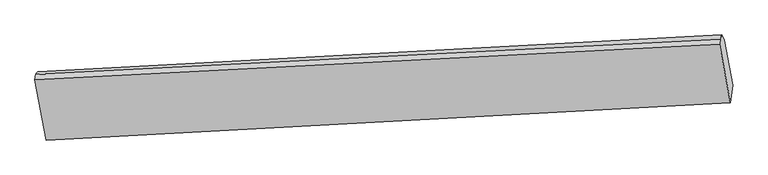
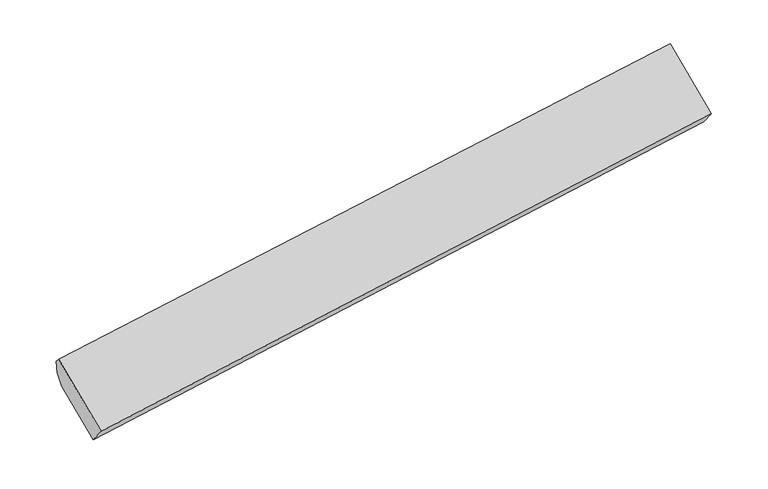
"""IFC4 building model written with IfcOpenShell, lengths in millimetres: proxy geometry."""

from ifc_helpers import new_model, si_unit, frame, origin, place, context, project, spatial, source, transform, mapped, element, save
from ifc_brep_helpers import plane_surface, spline_surface, advanced_brep


def generic_models_376906e4(model_context):
    return source(origin(), model_context, "Body", "AdvancedBrep", [
        advanced_brep(
        [(-5329.1201318, -1532.2579774, 1782.0422326), (-5249.4544431, -1960.6258782, 1424.7075249), (-392.8385727, -1696.9200925, 2151.910941), (-470.0957864, -1281.5027274, 2498.442608), (-5233.1230907, -1829.1709269, 1270.7621289), (-377.3113565, -1571.9378257, 2005.5456321), (-5292.3772813, -1510.5570583, 1536.5425326), (-436.5655471, -1253.3239571, 2271.3260358), (-5308.7590029, -1476.4543148, 1629.8875239), (-452.4772298, -1215.4377588, 2360.2402663), (-5324.6014815, -1495.8862839, 1739.4477567), (-465.5072383, -1244.5684093, 2455.1892488)],
        [
            (0, 1),
            (1, 2),
            (2, 3),
            (3, 0),
            (1, 4),
            (4, 5),
            (5, 2),
            (4, 6),
            (6, 7),
            (7, 5),
            (6, 8),
            (8, 9),
            (9, 7),
            (8, 10),
            (10, 11),
            (11, 9),
            (10, 0),
            (3, 11),
        ],
        [
            plane_surface(frame((-5289.2872874, -1746.4419278, 1603.3748787), z_axis=(-0.0784070927803433, -0.6471528903931625, 0.7583175220562361), x_axis=(0.1413762156199849, -0.7601896592800945, -0.6341328311801759))),
            plane_surface(frame((-5241.2887669, -1894.8984025, 1347.7348269), z_axis=(0.13635852841633408, -0.7604653871739042, -0.6349005801214676), x_axis=(0.08041362498230725, 0.6472684500457521, -0.7580087087181615))),
            plane_surface(frame((-5262.750186, -1669.8639926, 1403.6523307), z_axis=(0.08041362498231047, 0.6472684500456953, -0.7580087087182097), x_axis=(-0.14137621561998479, 0.7601896592800941, 0.6341328311801765))),
            spline_surface(1, 1, [[(-5292.3772813, -1510.5570583, 1536.5425326), (-436.5655471, -1253.3239571, 2271.3260358)], [(-5308.7590029, -1476.4543148, 1629.8875239), (-452.4772298, -1215.4377588, 2360.2402663)]], [2, 2], [2, 2], [0.0, 1.0], [0.0, 1.0]),
            spline_surface(1, 1, [[(-5308.7590029, -1476.4543148, 1629.8875239), (-452.4772298, -1215.4377588, 2360.2402663)], [(-5324.6014815, -1495.8862839, 1739.4477567), (-465.5072383, -1244.5684093, 2455.1892488)]], [2, 2], [2, 2], [0.0, 1.0], [0.0, 1.0]),
            plane_surface(frame((-5326.8608067, -1514.0721306, 1760.7449946), z_axis=(-0.13293739646547692, 0.7606420132967283, 0.6354143342960406), x_axis=(-0.08041362498231212, -0.6472684500457504, 0.7580087087181625))),
            plane_surface(frame((-432.4659551, -1377.2817951, 2290.4424554), z_axis=(0.9866845567729234, 0.05617148297005358, 0.15263797013444827), x_axis=(-0.13008117829139482, -0.2908171046601824, 0.9478946664537105))),
            plane_surface(frame((-5289.5725719, -1634.1587399, 1563.8982833), z_axis=(-0.986684556772919, -0.05617148297011281, -0.152637970134457), x_axis=(0.08041362498229902, 0.6472684500456528, -0.7580087087182472))),
        ],
        [
            (0, [[1, 2, 3, 4]]),
            (1, [[5, 6, 7, -2]]),
            (2, [[8, 9, 10, -6]]),
            (3, [[11, 12, 13, -9]]),
            (4, [[14, 15, 16, -12]]),
            (5, [[17, -4, 18, -15]]),
            (6, [[-16, -18, -3, -7, -10, -13]]),
            (7, [[-17, -14, -11, -8, -5, -1]]),
        ],
    ),
    ])


if __name__ == "__main__":
    model = new_model("IFC4")
    model_context = context("Model", 3, world=origin())
    ifc_project = project(units=[si_unit("LENGTHUNIT", "METRE", prefix="MILLI")], contexts=[model_context])
    site = spatial("IfcSite", under=ifc_project)
    building = spatial("IfcBuilding", under=site)
    placement = place(None, origin())
    generic_models_shape = generic_models_376906e4(model_context)
    element("IfcBuildingElementProxy", 1, Name="Generic Models", at=placement, inside=building, context=model_context, shape_type="MappedRepresentation", body=[
        mapped(generic_models_shape, transform((0.0, 0.0, 0.0), x_axis=(1.0, 0.0, 0.0), y_axis=(0.0, 1.0, 0.0), z_axis=(0.0, 0.0, 1.0))),
    ])
    save(model, "model.ifc")
